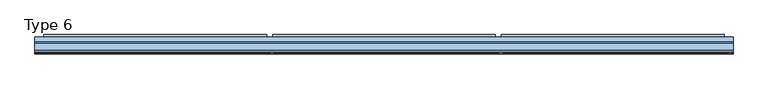
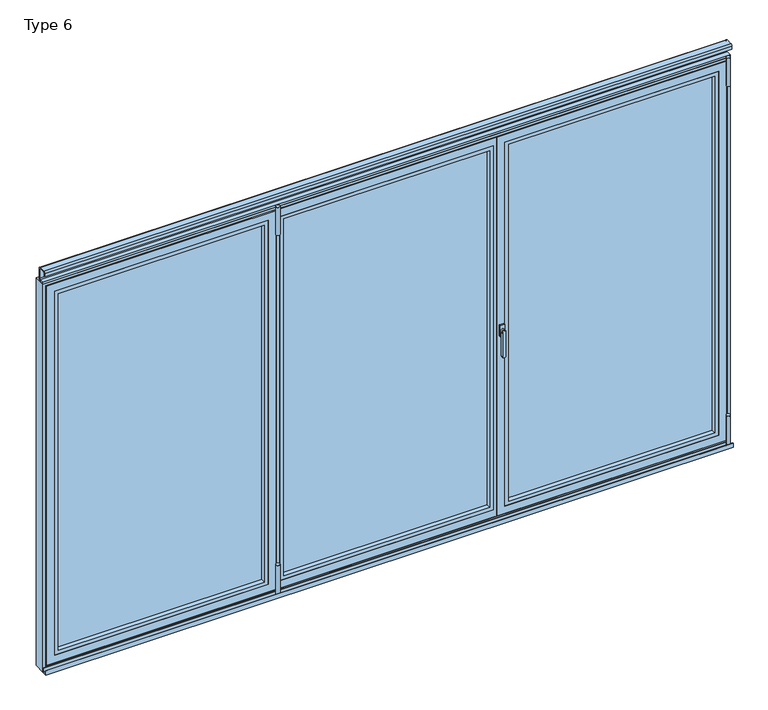
"""IFC4 building model written with IfcOpenShell, lengths in millimetres: window geometry, Type 6."""

import ifcopenshell
import ifcopenshell.guid

model = None  # the IFC model being written
_history = None  # IfcOwnerHistory: only IFC2X3 demands one
_inside = {}  # id of a spatial element -> (the spatial element, [elements in it])
_under = {}  # id of a project, library or spatial element -> (it, [spatial elements below it])
_declared = {}  # id of a project -> (the project, [libraries it declares])
_typed = {}  # id of a type object -> (the type object, [elements of that type])
_made_of = {}  # id of a material, layer set ... -> (it, [elements and type objects made of it])


def new_model(schema):
    """Start an empty IFC model of exactly this schema.

    Asked for "IFC4X3", IfcOpenShell would pick the latest addendum, in which some entities
    have other attributes; the version numbers below select the first issue.
    IFC2X3 requires an IfcOwnerHistory on every rooted entity: one is made here for all.
    """
    global model, _history
    if schema == "IFC4X3":
        model = ifcopenshell.file(schema_version=(4, 3, 0, 0))
    else:
        model = ifcopenshell.file(schema=schema)
    _inside.clear()
    _under.clear()
    _declared.clear()
    _typed.clear()
    _made_of.clear()
    _history = None
    if model.schema == "IFC2X3":
        org = make("IfcOrganization", Name="unknown")
        user = make(
            "IfcPersonAndOrganization",
            ThePerson=make("IfcPerson", FamilyName="unknown"),
            TheOrganization=org,
        )
        app = make(
            "IfcApplication",
            ApplicationDeveloper=org,
            Version="unknown",
            ApplicationFullName="unknown",
            ApplicationIdentifier="unknown",
        )
        _history = make(
            "IfcOwnerHistory",
            OwningUser=user,
            OwningApplication=app,
            ChangeAction="ADDED",
            CreationDate=0,
        )
    return model


def make(cls, **values):
    """One entity of the class cls with the attributes given. An attribute that is None is left unset."""
    return model.create_entity(
        cls, **{name: value for name, value in values.items() if value is not None}
    )


def rooted(cls, **values):
    """An entity with a GlobalId (a new one), such as an element, a storey or a relation."""
    return make(cls, GlobalId=ifcopenshell.guid.new(), OwnerHistory=_history, **values)


def si_unit(unit_type, name, prefix=None):
    """IfcSIUnit, for example si_unit("LENGTHUNIT", "METRE", prefix="MILLI")."""
    return make("IfcSIUnit", UnitType=unit_type, Prefix=prefix, Name=name)


def assignment(units):
    """IfcUnitAssignment: the units of a project."""
    return None if units is None else make("IfcUnitAssignment", Units=units)


def point(xyz):
    """IfcCartesianPoint."""
    return None if xyz is None else make("IfcCartesianPoint", Coordinates=xyz)


def direction(xyz):
    """IfcDirection."""
    return None if xyz is None else make("IfcDirection", DirectionRatios=xyz)


def frame(location, z_axis=None, x_axis=None):
    """IfcAxis2Placement3D, a coordinate frame: its origin and axes. An axis left out is left unset."""
    return make(
        "IfcAxis2Placement3D",
        Location=point(location),
        Axis=direction(z_axis),
        RefDirection=direction(x_axis),
    )


def frame_2d(location, x_axis=None):
    """IfcAxis2Placement2D, a coordinate frame in the plane: its origin and x axis."""
    return make(
        "IfcAxis2Placement2D", Location=point(location), RefDirection=direction(x_axis)
    )


def origin():
    """The frame at (0, 0, 0) with its axes left unset."""
    return frame((0.0, 0.0, 0.0))


def place(relative_to, where):
    """IfcLocalPlacement: puts the frame where relative to a parent placement (None: the world)."""
    return make(
        "IfcLocalPlacement", PlacementRelTo=relative_to, RelativePlacement=where
    )


def context(
    kind, dimensions, precision=None, world=None, true_north=None, identifier=None
):
    """IfcGeometricRepresentationContext, for example the 3D "Model" context."""
    return make(
        "IfcGeometricRepresentationContext",
        ContextIdentifier=identifier,
        ContextType=kind,
        CoordinateSpaceDimension=dimensions,
        Precision=precision,
        WorldCoordinateSystem=world,
        TrueNorth=true_north,
    )


def project(units=None, contexts=None):
    """IfcProject with its units and contexts."""
    return rooted(
        "IfcProject",
        Name="project",
        RepresentationContexts=contexts,
        UnitsInContext=assignment(units),
    )


def spatial(cls, under=None, at=None, **own):
    """A site, building, storey or space (cls), placed at a placement, below another one or the project."""
    s = rooted(cls, ObjectPlacement=at, **own)
    if under is not None:
        _under.setdefault(under.id(), (under, []))[1].append(s)
    return s


def polyline(points):
    """IfcPolyline through the points."""
    return make("IfcPolyline", Points=[point(p) for p in points])


def circle_curve(where, radius):
    """IfcCircle in the frame where."""
    return make("IfcCircle", Position=where, Radius=radius)


def trimmed(basis, trim1, trim2, sense, master):
    """IfcTrimmedCurve: the piece of a basis curve between two trims."""
    return make(
        "IfcTrimmedCurve",
        BasisCurve=basis,
        Trim1=trim1,
        Trim2=trim2,
        SenseAgreement=sense,
        MasterRepresentation=master,
    )


def segment(curve, same_sense, transition):
    """IfcCompositeCurveSegment."""
    return make(
        "IfcCompositeCurveSegment",
        Transition=transition,
        SameSense=same_sense,
        ParentCurve=curve,
    )


def composite_curve(segments, self_intersect=None):
    """IfcCompositeCurve: segments joined end to end."""
    return make("IfcCompositeCurve", Segments=segments, SelfIntersect=self_intersect)


def outline(outer, holes=None, kind="AREA"):
    """IfcArbitraryClosedProfileDef: a profile drawn as a closed curve; with holes, ...WithVoids."""
    if holes is None:
        return make("IfcArbitraryClosedProfileDef", ProfileType=kind, OuterCurve=outer)
    return make(
        "IfcArbitraryProfileDefWithVoids",
        ProfileType=kind,
        OuterCurve=outer,
        InnerCurves=holes,
    )


def extrude(swept, where, along, depth):
    """IfcExtrudedAreaSolid: the profile swept, set in the frame where, extruded along a direction by depth."""
    return make(
        "IfcExtrudedAreaSolid",
        SweptArea=swept,
        Position=where,
        ExtrudedDirection=direction(along),
        Depth=depth,
    )


def faces_of(points, faces, orient=None, outer=None):
    """IfcFace entities. A face is a list of loops; a loop is a list of indices into points, from 0.

    orient and outer hold one flag for each loop. By default every Orientation is true, the
    first loop of a face is its IfcFaceOuterBound and the others are IfcFaceBound.
    """
    made = []
    for i, loops in enumerate(faces):
        bounds = []
        for j, loop in enumerate(loops):
            is_outer = j == 0 if outer is None else outer[i][j]
            bounds.append(
                make(
                    "IfcFaceOuterBound" if is_outer else "IfcFaceBound",
                    Bound=make("IfcPolyLoop", Polygon=[points[k] for k in loop]),
                    Orientation=True if orient is None else orient[i][j],
                )
            )
        made.append(make("IfcFace", Bounds=bounds))
    return made


def faceted_brep(points, faces, orient=None, outer=None, voids=None):
    """IfcFacetedBrep: a solid bounded by flat faces; with voids (closed shells), ...WithVoids."""
    shared = [point(p) for p in points]
    hull = make("IfcClosedShell", CfsFaces=faces_of(shared, faces, orient, outer))
    if voids is None:
        return make("IfcFacetedBrep", Outer=hull)
    return make(
        "IfcFacetedBrepWithVoids",
        Outer=hull,
        Voids=[
            make(cls, CfsFaces=faces_of(shared, fs, o, b)) for cls, fs, o, b in voids
        ],
    )


def shape(context_of_items, identifier, shape_type, items):
    """IfcShapeRepresentation: the items that make up one representation, for example the "Body"."""
    return make(
        "IfcShapeRepresentation",
        ContextOfItems=context_of_items,
        RepresentationIdentifier=identifier,
        RepresentationType=shape_type,
        Items=items,
    )


def source(mapping_origin, context_of_items, identifier, shape_type, items):
    """IfcRepresentationMap: a shape defined once, which mapped items show again and again."""
    return make(
        "IfcRepresentationMap",
        MappingOrigin=mapping_origin,
        MappedRepresentation=shape(context_of_items, identifier, shape_type, items),
    )


def transform(
    local_origin,
    x_axis=None,
    y_axis=None,
    z_axis=None,
    scale=None,
    scale2=None,
    scale3=None,
    uniform=True,
):
    """IfcCartesianTransformationOperator3D, or its non-uniform kind. x_axis, y_axis, z_axis: its Axis1, 2, 3."""
    if uniform:
        return make(
            "IfcCartesianTransformationOperator3D",
            Axis1=direction(x_axis),
            Axis2=direction(y_axis),
            LocalOrigin=point(local_origin),
            Scale=scale,
            Axis3=direction(z_axis),
        )
    return make(
        "IfcCartesianTransformationOperator3DnonUniform",
        Axis1=direction(x_axis),
        Axis2=direction(y_axis),
        LocalOrigin=point(local_origin),
        Scale=scale,
        Axis3=direction(z_axis),
        Scale2=scale2,
        Scale3=scale3,
    )


def mapped(mapping_source, mapping_target):
    """IfcMappedItem: shows the shape of a source again, moved by a transform."""
    return make(
        "IfcMappedItem", MappingSource=mapping_source, MappingTarget=mapping_target
    )


def made_of(thing, what):
    """Note that an element or type object is made of a material, layer set ...; save() writes the relation."""
    if what is not None:
        _made_of.setdefault(what.id(), (what, []))[1].append(thing)
    return thing


def element(
    cls,
    number,
    at=None,
    inside=None,
    cuts=None,
    type_object=None,
    material=None,
    context=None,
    identifier="Body",
    shape_type=None,
    held_by="IfcProductDefinitionShape",
    body=None,
    shapes=None,
    **own,
):
    """One element of the class cls, such as IfcWall. Its Tag is "e" and its number.

    at: its placement. inside: the storey or other place that contains it. cuts: it is an
    opening in that element (IfcRelVoidsElement). A single representation is given by context,
    identifier, shape_type and body (its items); several are given by shapes. held_by: the class
    of the entity that holds the representations. save() writes the other relations.
    """
    e = rooted(cls, Tag="e%d" % number, ObjectPlacement=at, **own)
    if body is not None:
        shapes = [shape(context, identifier, shape_type, body)]
    if shapes is not None:
        e.Representation = make(held_by, Representations=shapes)
    if inside is not None:
        _inside.setdefault(inside.id(), (inside, []))[1].append(e)
    if cuts is not None:
        rooted(
            "IfcRelVoidsElement", RelatingBuildingElement=cuts, RelatedOpeningElement=e
        )
    if type_object is not None:
        _typed.setdefault(type_object.id(), (type_object, []))[1].append(e)
    return made_of(e, material)


def aggregate(whole, parts):
    """IfcRelAggregates: a whole, such as a stair, and the parts it consists of."""
    return rooted("IfcRelAggregates", RelatingObject=whole, RelatedObjects=parts)


def save(model, path):
    """Write the relations noted so far, then the file.

    IfcRelAggregates (storeys below a building ...), IfcRelContainedInSpatialStructure (elements
    in a storey), IfcRelDefinesByType, IfcRelAssociatesMaterial and IfcRelDeclares: one each for
    every whole, place, type object, material and project.
    """
    for whole, parts in _under.values():
        aggregate(whole, parts)
    for where, things in _inside.values():
        rooted(
            "IfcRelContainedInSpatialStructure",
            RelatedElements=things,
            RelatingStructure=where,
        )
    for kind, things in _typed.values():
        rooted("IfcRelDefinesByType", RelatedObjects=things, RelatingType=kind)
    for what, things in _made_of.values():
        rooted("IfcRelAssociatesMaterial", RelatedObjects=things, RelatingMaterial=what)
    for by, libraries in _declared.values():
        rooted("IfcRelDeclares", RelatingContext=by, RelatedDefinitions=libraries)
    model.write(path)


def plane_surface(at):
    """IfcPlane: the flat surface through the origin of the frame at, square to its z axis."""
    return make("IfcPlane", Position=at)


def revolved_surface(curve, axis_point, axis_direction):
    """IfcSurfaceOfRevolution: the curve turned about the line through axis_point along axis_direction."""
    return make(
        "IfcSurfaceOfRevolution",
        SweptCurve=make("IfcArbitraryOpenProfileDef", ProfileType="CURVE", Curve=curve),
        AxisPosition=make("IfcAxis1Placement", Location=point(axis_point), Axis=direction(axis_direction)),
    )


def advanced_brep(points, edges, surfaces, faces):
    """IfcAdvancedBrep: a solid bounded by faces that lie on surfaces and meet in shared edges.

    An edge is (start, end): straight between two places in points (the first is 0);
    or (start, end, curve); or (start, end, curve, False) where it runs against its curve.
    A face is (place in surfaces, loops), or (place, loops, False) where it looks against
    its surface's normal. A loop lists edges by number (the first is 1), with a minus sign
    where the edge is run from its end to its start. The first loop is the outer one.
    """
    corners = [point(p) for p in points]
    vertices = [make("IfcVertexPoint", VertexGeometry=c) for c in corners]
    made = []
    for start, end, *more in edges:
        made.append(
            make(
                "IfcEdgeCurve",
                EdgeStart=vertices[start],
                EdgeEnd=vertices[end],
                EdgeGeometry=more[0] if more else make("IfcPolyline", Points=[corners[start], corners[end]]),
                SameSense=more[1] if len(more) > 1 else True,
            )
        )
    hull = []
    for where, loops, *sense in faces:
        bounds = []
        for j, loop in enumerate(loops):
            ring = [make("IfcOrientedEdge", EdgeElement=made[abs(k) - 1], Orientation=k > 0) for k in loop]
            bounds.append(
                make(
                    "IfcFaceOuterBound" if j == 0 else "IfcFaceBound",
                    Bound=make("IfcEdgeLoop", EdgeList=ring),
                    Orientation=True,
                )
            )
        hull.append(make("IfcAdvancedFace", Bounds=bounds, FaceSurface=surfaces[where], SameSense=sense[0] if sense else True))
    return make("IfcAdvancedBrep", Outer=make("IfcClosedShell", CfsFaces=hull))


def type_6_c03fde71(model_context):
    return source(origin(), model_context, "Body", "SolidModel", [
        faceted_brep([(-601.6666667, 80.0, 35.0), (-606.6666667, 80.0, 35.0), (-1740.0, 80.0, 35.0), (-1745.0, 80.0, 35.0), (-1745.0, 80.0, 2070.0), (-1740.0, 80.0, 2070.0), (-606.6666667, 80.0, 2070.0), (-601.6666667, 80.0, 2070.0), (-639.1666667, 80.0, 72.5), (-639.1666667, 80.0, 2032.5), (-1707.5, 80.0, 2032.5), (-1707.5, 80.0, 72.5), (-1770.0, 20.0, 10.0), (-576.6666667, 20.0, 10.0), (-576.6666667, 20.0, 2095.0), (-1770.0, 20.0, 2095.0), (-1730.0, 20.0, 50.0), (-1730.0, 20.0, 2055.0), (-616.6666667, 20.0, 2055.0), (-616.6666667, 20.0, 50.0), (-616.6666667, 72.75, 2055.0), (-616.6666667, 72.75, 50.0), (-1730.0, 72.75, 50.0), (-1730.0, 72.75, 2055.0), (-1707.5, 72.75, 72.5), (-1707.5, 72.75, 2032.5), (-639.1666667, 72.75, 2032.5), (-639.1666667, 72.75, 72.5), (-601.6666667, 73.0, 2070.0), (-601.6666667, 73.0, 35.0), (-1745.0, 73.0, 35.0), (-1745.0, 73.0, 2070.0), (-606.6666667, 73.0, 35.0), (-1740.0, 73.0, 35.0), (-1755.0, 73.0, 25.0), (-1755.0, 73.0, 2080.0), (-591.6666667, 73.0, 2080.0), (-591.6666667, 73.0, 25.0), (-606.6666667, 73.0, 2070.0), (-1740.0, 73.0, 2070.0), (-591.6666667, 27.0, 2080.0), (-591.6666667, 27.0, 25.0), (-1755.0, 27.0, 25.0), (-1755.0, 27.0, 2080.0), (-576.6666667, 27.0, 10.0), (-1770.0, 27.0, 10.0), (-1770.0, 27.0, 2095.0), (-576.6666667, 27.0, 2095.0)], [[[0, 1, 2, 3, 4, 5, 6, 7], [8, 9, 10, 11]], [[12, 13, 14, 15], [16, 17, 18, 19]], [[19, 18, 20, 21]], [[21, 22, 16, 19]], [[22, 23, 17, 16]], [[21, 20, 23, 22], [24, 25, 26, 27]], [[27, 26, 9, 8]], [[8, 11, 24, 27]], [[11, 10, 25, 24]], [[23, 20, 18, 17]], [[10, 9, 26, 25]], [[7, 28, 29, 0]], [[3, 30, 31, 4]], [[29, 32, 33, 30, 3, 2, 1, 0]], [[34, 35, 36, 37], [30, 33, 32, 29, 28, 38, 39, 31]], [[37, 36, 40, 41]], [[42, 34, 37, 41]], [[42, 43, 35, 34]], [[31, 39, 38, 28, 7, 6, 5, 4]], [[40, 36, 35, 43]], [[44, 13, 12, 45]], [[46, 47, 44, 45], [40, 43, 42, 41]], [[14, 47, 46, 15]], [[12, 15, 46, 45]], [[14, 13, 44, 47]]]),
        extrude(outline(polyline([(-616.6666667, 72.75), (-616.6666667, 44.75), (-1730.0, 44.75), (-1730.0, 72.75), (-616.6666667, 72.75)])), frame((0.0, 0.0, 50.0), z_axis=(0.0, 0.0, 1.0), x_axis=(1.0, 0.0, 0.0)), (0.0, 0.0, 1.0), 2005.0),
        extrude(outline(polyline([(2055.0, -616.6666667), (2055.0, -1730.0), (50.0, -1730.0), (50.0, -616.6666667), (2055.0, -616.6666667)]), holes=[polyline([(2035.0009231, -1710.0009231), (2035.0009231, -636.6657436), (69.9990769, -636.6657436), (69.9990769, -1710.0009231), (2035.0009231, -1710.0009231)])]), frame((0.0, 20.5, 0.0), z_axis=(0.0, 1.0, 0.0), x_axis=(0.0, 0.0, 1.0)), (0.0, 0.0, 1.0), 24.25),
        extrude(outline(composite_curve([segment(trimmed(circle_curve(frame_2d((-574.1666667, 6.5)), 10.0), [point((-564.1666667, 6.5))], [point((-584.1666667, 6.5))], False, "CARTESIAN"), True, "CONTINUOUS"), segment(trimmed(circle_curve(frame_2d((-574.1666667, 6.5)), 10.0), [point((-584.1666667, 6.5))], [point((-564.1666667, 6.5))], False, "CARTESIAN"), True, "CONTINUOUS")], self_intersect=False)), frame((0.0, 0.0, -12.0640378), z_axis=(0.0, 0.0, 1.0), x_axis=(1.0, 0.0, 0.0)), (0.0, 0.0, 1.0), 166.5636122),
        extrude(outline(composite_curve([segment(trimmed(circle_curve(frame_2d((-574.1666667, 6.5)), 10.0), [point((-584.1666667, 6.5))], [point((-564.1666667, 6.5))], False, "CARTESIAN"), True, "CONTINUOUS"), segment(trimmed(circle_curve(frame_2d((-574.1666667, 6.5)), 10.0), [point((-564.1666667, 6.5))], [point((-584.1666667, 6.5))], False, "CARTESIAN"), True, "CONTINUOUS")], self_intersect=False)), frame((0.0, 0.0, 1972.5), z_axis=(0.0, 0.0, 1.0), x_axis=(1.0, 0.0, 0.0)), (0.0, 0.0, 1.0), 153.5),
        extrude(outline(polyline([(80.0, 52.8188022), (93.0, 45.3132487), (93.0, 32.2), (80.0, 32.2), (80.0, 52.8188022)])), frame((-1745.0, 0.0, 0.0), z_axis=(1.0, 0.0, 0.0), x_axis=(0.0, 1.0, 0.0)), (0.0, 0.0, 1.0), 1143.3333333),
        faceted_brep([(-596.6666667, 80.0, 35.0), (-596.6666667, 80.0, 2070.0), (-566.6666667, 80.0, 2070.0), (566.6666667, 80.0, 2070.0), (596.6666667, 80.0, 2070.0), (596.6666667, 80.0, 35.0), (566.6666667, 80.0, 35.0), (-566.6666667, 80.0, 35.0), (-534.1666667, 80.0, 72.5), (534.1666667, 80.0, 72.5), (534.1666667, 80.0, 2032.5), (-534.1666667, 80.0, 2032.5), (571.6666667, 20.0, 10.0), (571.6666667, 20.0, 2095.0), (566.6666667, 20.0, 2095.0), (-566.6666667, 20.0, 2095.0), (-571.6666667, 20.0, 2095.0), (-571.6666667, 20.0, 10.0), (-566.6666667, 20.0, 10.0), (566.6666667, 20.0, 10.0), (556.6666667, 20.0, 50.0), (-556.6666667, 20.0, 50.0), (-556.6666667, 20.0, 2055.0), (556.6666667, 20.0, 2055.0), (-556.6666667, 72.75, 50.0), (-556.6666667, 72.75, 2055.0), (556.6666667, 72.75, 50.0), (556.6666667, 72.75, 2055.0), (534.1666667, 72.75, 72.5), (-534.1666667, 72.75, 72.5), (-534.1666667, 72.75, 2032.5), (534.1666667, 72.75, 2032.5), (-596.6666667, 73.0, 35.0), (596.6666667, 73.0, 35.0), (581.6666667, 73.0, 35.0), (566.6666667, 73.0, 35.0), (-566.6666667, 73.0, 35.0), (-581.6666667, 73.0, 35.0), (581.6666667, 73.0, 25.0), (-581.6666667, 73.0, 25.0), (-581.6666667, 73.0, 2080.0), (581.6666667, 73.0, 2080.0), (581.6666667, 73.0, 2070.0), (566.6666667, 73.0, 2070.0), (-566.6666667, 73.0, 2070.0), (-581.6666667, 73.0, 2070.0), (-581.6666667, 27.0, 25.0), (-581.6666667, 27.0, 2080.0), (581.6666667, 27.0, 25.0), (571.6666667, 27.0, 25.0), (566.6666667, 27.0, 25.0), (-566.6666667, 27.0, 25.0), (-571.6666667, 27.0, 25.0), (581.6666667, 27.0, 2080.0), (-571.6666667, 27.0, 2080.0), (571.6666667, 27.0, 2080.0), (-596.6666667, 73.0, 2070.0), (596.6666667, 73.0, 2070.0), (-566.6666667, 27.0, 2080.0), (566.6666667, 27.0, 2080.0), (571.6666667, 27.0, 10.0), (571.6666667, 27.0, 2095.0), (-571.6666667, 27.0, 10.0), (-571.6666667, 27.0, 2095.0), (-566.6666667, 27.0, 10.0), (566.6666667, 27.0, 10.0), (566.6666667, 27.0, 2095.0), (-566.6666667, 27.0, 2095.0)], [[[0, 1, 2, 3, 4, 5, 6, 7], [8, 9, 10, 11]], [[12, 13, 14, 15, 16, 17, 18, 19], [20, 21, 22, 23]], [[21, 24, 25, 22]], [[24, 21, 20, 26]], [[26, 20, 23, 27]], [[24, 26, 27, 25], [28, 29, 30, 31]], [[29, 8, 11, 30]], [[8, 29, 28, 9]], [[9, 28, 31, 10]], [[27, 23, 22, 25]], [[10, 31, 30, 11]], [[32, 0, 7, 6, 5, 33, 34, 35, 36, 37]], [[38, 39, 37, 36, 35, 34]], [[40, 41, 42, 43, 44, 45]], [[39, 46, 47, 40, 45, 37]], [[46, 39, 38, 48, 49, 50, 51, 52]], [[48, 38, 34, 42, 41, 53]], [[47, 46, 52, 54]], [[48, 53, 55, 49]], [[1, 56, 45, 44, 43, 42, 57, 4, 3, 2]], [[53, 41, 40, 47, 54, 58, 59, 55]], [[12, 60, 49, 55, 61, 13]], [[62, 17, 16, 63, 54, 52]], [[17, 62, 64, 65, 60, 12, 19, 18]], [[62, 52, 51, 50, 49, 60, 65, 64]], [[13, 61, 66, 67, 63, 16, 15, 14]], [[61, 55, 59, 58, 54, 63, 67, 66]], [[56, 1, 0, 32]], [[33, 5, 4, 57]], [[33, 57, 42, 34]], [[56, 32, 37, 45]]]),
        extrude(outline(polyline([(-556.6666667, 72.75), (556.6666667, 72.75), (556.6666667, 44.75), (-556.6666667, 44.75), (-556.6666667, 72.75)])), frame((0.0, 0.0, 50.0), z_axis=(0.0, 0.0, 1.0), x_axis=(1.0, 0.0, 0.0)), (0.0, 0.0, 1.0), 2005.0),
        extrude(outline(polyline([(2055.0, -556.6666667), (50.0, -556.6666667), (50.0, 556.6666667), (2055.0, 556.6666667), (2055.0, -556.6666667)]), holes=[polyline([(2035.0009231, 536.6675897), (69.9990769, 536.6675897), (69.9990769, -536.6675897), (2035.0009231, -536.6675897), (2035.0009231, 536.6675897)])]), frame((0.0, 20.5, 0.0), z_axis=(0.0, 1.0, 0.0), x_axis=(0.0, 0.0, 1.0)), (0.0, 0.0, 1.0), 24.25),
        extrude(outline(composite_curve([segment(trimmed(circle_curve(frame_2d((-574.1666667, 6.5)), 10.0), [point((-584.1666667, 6.5))], [point((-564.1666667, 6.5))], False, "CARTESIAN"), True, "CONTINUOUS"), segment(trimmed(circle_curve(frame_2d((-574.1666667, 6.5)), 10.0), [point((-564.1666667, 6.5))], [point((-584.1666667, 6.5))], False, "CARTESIAN"), True, "CONTINUOUS")], self_intersect=False)), frame((0.0, 0.0, -12.0640378), z_axis=(0.0, 0.0, 1.0), x_axis=(1.0, 0.0, 0.0)), (0.0, 0.0, 1.0), 166.5636122),
        extrude(outline(composite_curve([segment(trimmed(circle_curve(frame_2d((-574.1666667, 6.5)), 10.0), [point((-564.1666667, 6.5))], [point((-584.1666667, 6.5))], False, "CARTESIAN"), True, "CONTINUOUS"), segment(trimmed(circle_curve(frame_2d((-574.1666667, 6.5)), 10.0), [point((-584.1666667, 6.5))], [point((-564.1666667, 6.5))], False, "CARTESIAN"), True, "CONTINUOUS")], self_intersect=False)), frame((0.0, 0.0, 1972.5), z_axis=(0.0, 0.0, 1.0), x_axis=(1.0, 0.0, 0.0)), (0.0, 0.0, 1.0), 153.5),
        extrude(outline(polyline([(80.0, 52.8188022), (93.0, 45.3132487), (93.0, 32.2), (80.0, 32.2), (80.0, 52.8188022)])), frame((-571.6666667, 0.0, 0.0), z_axis=(1.0, 0.0, 0.0), x_axis=(0.0, 1.0, 0.0)), (0.0, 0.0, 1.0), 1143.3333333),
        advanced_brep(
        [(610.1666667, 11.0, 1028.0), (588.1666667, 11.0, 1028.0), (589.1666667, 3.5, 1028.0), (609.1666667, 3.5, 1028.0), (608.1666667, -4.0, 896.6867153), (608.1666667, -4.0, 1028.0), (590.1666667, -4.0, 1028.0), (590.1666667, -4.0, 896.6867153), (609.1666667, 3.5, 896.6867153), (589.1666667, 3.5, 896.6867153)],
        [
            (0, 1, circle_curve(frame((599.1666667, 11.0, 1028.0), z_axis=(0.0, 1.0, 0.0), x_axis=(-1.0, 0.0, 0.0)), 11.0)),
            (1, 0, circle_curve(frame((599.1666667, 11.0, 1028.0), z_axis=(0.0, 1.0, 0.0), x_axis=(1.0, 0.0, 0.0)), 11.0)),
            (1, 2),
            (2, 3, circle_curve(frame((599.1666667, 3.5, 1028.0), z_axis=(0.0, 1.0, 0.0), x_axis=(1.0, 0.0, 0.0)), 10.0)),
            (3, 0),
            (3, 2, circle_curve(frame((599.1666667, 3.5, 1028.0), z_axis=(0.0, 1.0, 0.0), x_axis=(-1.0, 0.0, 0.0)), 10.0)),
            (4, 5),
            (5, 6, circle_curve(frame((599.1666667, -4.0, 1028.0), z_axis=(0.0, -1.0, 0.0), x_axis=(-1.0, 0.0, 0.0)), 9.0)),
            (6, 7),
            (7, 4, circle_curve(frame((599.1666667, -4.0, 896.6867153), z_axis=(0.0, -1.0, 0.0), x_axis=(1.0, 0.0, 0.0)), 9.0)),
            (8, 9, circle_curve(frame((599.1666667, 3.5, 896.6867153), z_axis=(0.0, 1.0, 0.0), x_axis=(1.0, 0.0, 0.0)), 10.0)),
            (9, 2),
            (3, 8),
            (7, 9),
            (8, 4),
            (6, 2),
            (5, 3),
        ],
        [
            plane_surface(frame((599.1666667, 11.0, 1028.0), z_axis=(0.0, 1.0, 0.0), x_axis=(0.0, 0.0, 1.0))),
            revolved_surface(polyline([(589.1666667, 3.5, 1028.0), (588.1666667, 11.0, 1028.0)]), (599.1666667, -71.5, 1028.0), (0.0, 1.0, 0.0)),
            revolved_surface(polyline([(609.1666667, 3.5, 1028.0), (610.1666667, 11.0, 1028.0)]), (599.1666667, -71.5, 1028.0), (0.0, 1.0, 0.0)),
            plane_surface(frame((599.1666667, -4.0, 962.3433576), z_axis=(0.0, -1.0, 0.0), x_axis=(0.0, 0.0, -1.0))),
            plane_surface(frame((599.1666667, 3.5, 962.3433576), z_axis=(0.0, 1.0, 0.0), x_axis=(0.0, 0.0, -1.0))),
            revolved_surface(polyline([(590.1666667, -4.0, 896.6867153), (589.1666667, 3.5, 896.6867153)]), (599.1666667, -71.5, 896.6867153), (0.0, 1.0, 0.0)),
            plane_surface(frame((589.1666667, 3.5, 962.3433576), z_axis=(-0.9912279006826277, -0.1321637200910704, 0.0), x_axis=(0.0, 0.0, 1.0))),
            revolved_surface(polyline([(608.1666667, -4.0, 1028.0), (609.1666667, 3.5, 1028.0)]), (599.1666667, -71.5, 1028.0), (0.0, 1.0, 0.0)),
            plane_surface(frame((609.1666667, 3.5, 962.3433576), z_axis=(0.9912279006826291, -0.1321637200910603, 0.0), x_axis=(0.0, 0.0, -1.0))),
        ],
        [
            (0, [[1, 2]]),
            (1, [[3, 4, 5, -2]]),
            (2, [[-5, 6, -3, -1]]),
            (3, [[7, 8, 9, 10]]),
            (4, [[11, 12, -6, 13]]),
            (5, [[14, -11, 15, -10]]),
            (6, [[16, -12, -14, -9]]),
            (7, [[17, -4, -16, -8]]),
            (8, [[-15, -13, -17, -7]]),
        ],
    ),
        extrude(outline(polyline([(587.1666667, 11.0), (587.1666667, 20.0), (611.1666667, 20.0), (611.1666667, 11.0), (587.1666667, 11.0)])), frame((0.0, 0.0, 998.0), z_axis=(0.0, 0.0, 1.0), x_axis=(1.0, 0.0, 0.0)), (0.0, 0.0, 1.0), 60.0),
        faceted_brep([(1745.0, 80.0, 35.0), (1740.0, 80.0, 35.0), (606.6666667, 80.0, 35.0), (601.6666667, 80.0, 35.0), (601.6666667, 80.0, 2070.0), (606.6666667, 80.0, 2070.0), (1740.0, 80.0, 2070.0), (1745.0, 80.0, 2070.0), (1707.5, 80.0, 72.5), (1707.5, 80.0, 2032.5), (639.1666667, 80.0, 2032.5), (639.1666667, 80.0, 72.5), (576.6666667, 20.0, 10.0), (1770.0, 20.0, 10.0), (1770.0, 20.0, 2095.0), (576.6666667, 20.0, 2095.0), (616.6666667, 20.0, 50.0), (616.6666667, 20.0, 2055.0), (1730.0, 20.0, 2055.0), (1730.0, 20.0, 50.0), (1730.0, 72.75, 2055.0), (1730.0, 72.75, 50.0), (616.6666667, 72.75, 50.0), (616.6666667, 72.75, 2055.0), (639.1666667, 72.75, 72.5), (639.1666667, 72.75, 2032.5), (1707.5, 72.75, 2032.5), (1707.5, 72.75, 72.5), (1745.0, 73.0, 2070.0), (1745.0, 73.0, 35.0), (601.6666667, 73.0, 35.0), (601.6666667, 73.0, 2070.0), (1740.0, 73.0, 35.0), (606.6666667, 73.0, 35.0), (591.6666667, 73.0, 25.0), (591.6666667, 73.0, 2080.0), (1755.0, 73.0, 2080.0), (1755.0, 73.0, 25.0), (1740.0, 73.0, 2070.0), (606.6666667, 73.0, 2070.0), (1755.0, 27.0, 2080.0), (1755.0, 27.0, 25.0), (591.6666667, 27.0, 25.0), (591.6666667, 27.0, 2080.0), (1770.0, 27.0, 10.0), (576.6666667, 27.0, 10.0), (576.6666667, 27.0, 2095.0), (1770.0, 27.0, 2095.0)], [[[0, 1, 2, 3, 4, 5, 6, 7], [8, 9, 10, 11]], [[12, 13, 14, 15], [16, 17, 18, 19]], [[19, 18, 20, 21]], [[21, 22, 16, 19]], [[22, 23, 17, 16]], [[21, 20, 23, 22], [24, 25, 26, 27]], [[27, 26, 9, 8]], [[8, 11, 24, 27]], [[11, 10, 25, 24]], [[23, 20, 18, 17]], [[10, 9, 26, 25]], [[7, 28, 29, 0]], [[3, 30, 31, 4]], [[29, 32, 33, 30, 3, 2, 1, 0]], [[34, 35, 36, 37], [30, 33, 32, 29, 28, 38, 39, 31]], [[37, 36, 40, 41]], [[42, 34, 37, 41]], [[42, 43, 35, 34]], [[31, 39, 38, 28, 7, 6, 5, 4]], [[40, 36, 35, 43]], [[44, 13, 12, 45]], [[46, 47, 44, 45], [40, 43, 42, 41]], [[14, 47, 46, 15]], [[12, 15, 46, 45]], [[14, 13, 44, 47]]]),
        extrude(outline(polyline([(1730.0, 72.75), (1730.0, 44.75), (616.6666667, 44.75), (616.6666667, 72.75), (1730.0, 72.75)])), frame((0.0, 0.0, 50.0), z_axis=(0.0, 0.0, 1.0), x_axis=(1.0, 0.0, 0.0)), (0.0, 0.0, 1.0), 2005.0),
        extrude(outline(polyline([(2055.0, 1730.0), (2055.0, 616.6666667), (50.0, 616.6666667), (50.0, 1730.0), (2055.0, 1730.0)]), holes=[polyline([(2035.0009231, 636.6657436), (2035.0009231, 1710.0009231), (69.9990769, 1710.0009231), (69.9990769, 636.6657436), (2035.0009231, 636.6657436)])]), frame((0.0, 20.5, 0.0), z_axis=(0.0, 1.0, 0.0), x_axis=(0.0, 0.0, 1.0)), (0.0, 0.0, 1.0), 24.25),
        extrude(outline(composite_curve([segment(trimmed(circle_curve(frame_2d((1772.5, 6.5)), 10.0), [point((1782.5, 6.5))], [point((1762.5, 6.5))], False, "CARTESIAN"), True, "CONTINUOUS"), segment(trimmed(circle_curve(frame_2d((1772.5, 6.5)), 10.0), [point((1762.5, 6.5))], [point((1782.5, 6.5))], False, "CARTESIAN"), True, "CONTINUOUS")], self_intersect=False)), frame((0.0, 0.0, -12.0640378), z_axis=(0.0, 0.0, 1.0), x_axis=(1.0, 0.0, 0.0)), (0.0, 0.0, 1.0), 166.5636122),
        extrude(outline(composite_curve([segment(trimmed(circle_curve(frame_2d((1772.5, 6.5)), 10.0), [point((1762.5, 6.5))], [point((1782.5, 6.5))], False, "CARTESIAN"), True, "CONTINUOUS"), segment(trimmed(circle_curve(frame_2d((1772.5, 6.5)), 10.0), [point((1782.5, 6.5))], [point((1762.5, 6.5))], False, "CARTESIAN"), True, "CONTINUOUS")], self_intersect=False)), frame((0.0, 0.0, 1972.5), z_axis=(0.0, 0.0, 1.0), x_axis=(1.0, 0.0, 0.0)), (0.0, 0.0, 1.0), 153.5),
        extrude(outline(polyline([(80.0, 52.8188022), (93.0, 45.3132487), (93.0, 32.2), (80.0, 32.2), (80.0, 52.8188022)])), frame((601.6666667, 0.0, 0.0), z_axis=(1.0, 0.0, 0.0), x_axis=(0.0, 1.0, 0.0)), (0.0, 0.0, 1.0), 1143.3333333),
        extrude(outline(composite_curve([segment(polyline([(5.0, 2165.0), (5.0, 2182.0)]), True, "CONTINUOUS"), segment(trimmed(circle_curve(frame_2d((13.0, 2182.0)), 8.0), [point((5.0, 2182.0))], [point((13.0, 2190.0))], False, "CARTESIAN"), True, "CONTINUOUS"), segment(polyline([(13.0, 2190.0), (47.0, 2190.0)]), True, "CONTINUOUS"), segment(trimmed(circle_curve(frame_2d((47.0, 2182.0)), 8.0), [point((47.0, 2190.0))], [point((55.0, 2182.0))], False, "CARTESIAN"), True, "CONTINUOUS"), segment(polyline([(55.0, 2182.0), (55.0, 2128.0)]), True, "CONTINUOUS"), segment(trimmed(circle_curve(frame_2d((47.0, 2128.0)), 8.0), [point((55.0, 2128.0))], [point((47.0, 2120.0))], False, "CARTESIAN"), True, "CONTINUOUS"), segment(polyline([(47.0, 2120.0), (41.5, 2120.0), (41.5, 2115.0), (20.0, 2115.0), (20.0, 2124.0), (47.0, 2124.0)]), True, "CONTINUOUS"), segment(trimmed(circle_curve(frame_2d((47.0, 2128.0)), 4.0), [point((47.0, 2124.0))], [point((51.0, 2128.0))], True, "CARTESIAN"), True, "CONTINUOUS"), segment(polyline([(51.0, 2128.0), (51.0, 2182.0)]), True, "CONTINUOUS"), segment(trimmed(circle_curve(frame_2d((47.0, 2182.0)), 4.0), [point((51.0, 2182.0))], [point((47.0, 2186.0))], True, "CARTESIAN"), True, "CONTINUOUS"), segment(polyline([(47.0, 2186.0), (13.0, 2186.0)]), True, "CONTINUOUS"), segment(trimmed(circle_curve(frame_2d((13.0, 2182.0)), 4.0), [point((13.0, 2186.0))], [point((9.0, 2182.0))], True, "CARTESIAN"), True, "CONTINUOUS"), segment(polyline([(9.0, 2182.0), (9.0, 2165.0), (5.0, 2165.0)]), True, "CONTINUOUS")], self_intersect=False)), frame((-1790.0, 0.0, 0.0), z_axis=(1.0, 0.0, 0.0), x_axis=(0.0, 1.0, 0.0)), (0.0, 0.0, 1.0), 3580.0),
        extrude(outline(polyline([(17.4781484, 1.0), (20.0, 1.0), (20.0, -22.0), (-6.5218516, -22.0), (-6.5218516, 1.0), (-3.5218516, 1.0), (-3.5218516, -19.0), (17.4781484, -19.0), (17.4781484, 1.0)])), frame((-1790.0, 0.0, 0.0), z_axis=(1.0, 0.0, 0.0), x_axis=(0.0, 1.0, 0.0)), (0.0, 0.0, 1.0), 3580.0),
        faceted_brep([(1790.0, 80.0, -22.0), (1790.0, 20.0, -22.0), (-1790.0, 20.0, -22.0), (-1790.0, 80.0, -22.0), (1790.0, 20.0, 2115.0), (1790.0, 80.0, 2115.0), (-1790.0, 20.0, 2115.0), (1775.0, 20.0, 2100.0), (1775.0, 20.0, 2.0), (-1775.0, 20.0, 2.0), (-1775.0, 20.0, 2100.0), (-1790.0, 80.0, 2115.0), (-1750.0, 80.0, 2075.0), (-1750.0, 80.0, 2.0), (1750.0, 80.0, 2.0), (1750.0, 80.0, 2075.0), (-1750.0, 73.0, 2075.0), (-1750.0, 73.0, 18.5), (-1750.0, 76.5, 8.0), (-1750.0, 76.5, 2.0), (1750.0, 76.5, 2.0), (1750.0, 73.0, 2075.0), (1750.0, 76.5, 8.0), (1750.0, 73.0, 18.5), (1775.0, 27.0, 2100.0), (1775.0, 27.0, 2.0), (-1775.0, 27.0, 2.0), (-1775.0, 27.0, 2100.0), (1765.0, 27.0, 2090.0), (1765.0, 27.0, 14.5), (-1765.0, 27.0, 14.5), (-1765.0, 27.0, 2090.0), (1765.0, 73.0, 2090.0), (1765.0, 73.0, 18.5), (1765.0, 66.9723867, 18.5), (1765.0, 62.150282, 14.5), (-1765.0, 62.150282, 14.5), (-1765.0, 73.0, 2090.0), (-1765.0, 66.9723867, 18.5), (-1765.0, 73.0, 18.5)], [[[0, 1, 2, 3]], [[4, 1, 0, 5]], [[2, 1, 4, 6], [7, 8, 9, 10]], [[2, 6, 11, 3]], [[0, 3, 11, 5], [12, 13, 14, 15]], [[12, 16, 17, 18, 19, 13]], [[14, 13, 19, 20]], [[21, 15, 14, 20, 22, 23]], [[7, 24, 25, 8]], [[9, 8, 25, 26]], [[26, 27, 10, 9]], [[24, 27, 26, 25], [28, 29, 30, 31]], [[28, 32, 33, 34, 35, 29]], [[30, 29, 35, 36]], [[37, 31, 30, 36, 38, 39]], [[32, 37, 39, 17, 16, 21, 23, 33]], [[23, 17, 39, 38, 34, 33]], [[36, 35, 34, 38]], [[18, 22, 20, 19]], [[17, 23, 22, 18]], [[12, 15, 21, 16]], [[5, 11, 6, 4]], [[7, 10, 27, 24]], [[28, 31, 37, 32]]]),
    ])


if __name__ == "__main__":
    model = new_model("IFC4")
    model_context = context("Model", 3, world=origin())
    ifc_project = project(units=[si_unit("LENGTHUNIT", "METRE", prefix="MILLI")], contexts=[model_context])
    site = spatial("IfcSite", under=ifc_project)
    building = spatial("IfcBuilding", under=site)
    placement = place(None, origin())
    type_6_shape = type_6_c03fde71(model_context)
    element("IfcWindow", 1, ObjectType="Type 6", at=placement, inside=building, context=model_context, shape_type="MappedRepresentation", body=[
        mapped(type_6_shape, transform((0.0, 0.0, 0.0), x_axis=(1.0, 0.0, 0.0), y_axis=(0.0, 1.0, 0.0), z_axis=(0.0, 0.0, 1.0))),
    ])
    save(model, "model.ifc")
